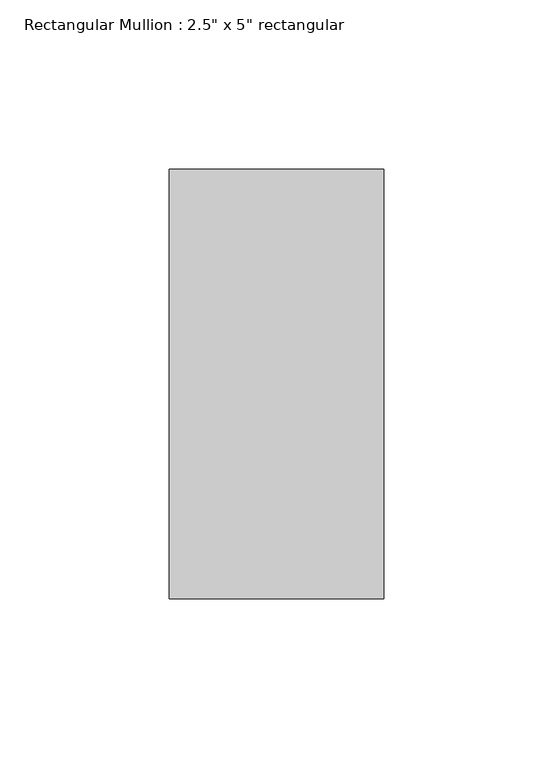
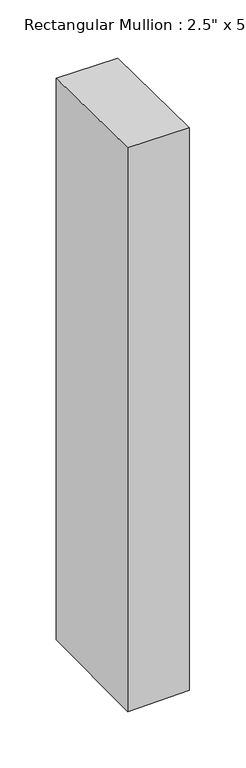
"""IFC4 building model written with IfcOpenShell, lengths in millimetres: member geometry."""

from ifc_helpers import new_model, si_unit, origin, place, context, project, spatial, faceted_brep, source, transform, mapped, element, save


def member_333ff9f2(model_context):
    return source(origin(), model_context, "Body", "Brep", [
        faceted_brep([(-63.5, 63.5, 0.110323), (0.0, 63.5, -0.7561356), (0.0, 63.5, -608.8988867), (-63.5, 63.5, -609.8436922), (-63.5, -63.5, 1.6225942), (-63.5, -63.5, -611.3547577), (0.0, -63.5, 0.7561356), (0.0, -63.5, -610.4099522)], [[[0, 1, 2, 3]], [[4, 0, 3, 5]], [[6, 4, 5, 7]], [[1, 6, 7, 2]], [[1, 0, 4, 6]], [[2, 7, 5, 3]]]),
    ])


if __name__ == "__main__":
    model = new_model("IFC4")
    model_context = context("Model", 3, world=origin())
    ifc_project = project(units=[si_unit("LENGTHUNIT", "METRE", prefix="MILLI")], contexts=[model_context])
    site = spatial("IfcSite", under=ifc_project)
    building = spatial("IfcBuilding", under=site)
    placement = place(None, origin())
    member_shape = member_333ff9f2(model_context)
    element("IfcMember", 1, ObjectType="Rectangular Mullion : 2.5\" x 5\" rectangular", at=placement, inside=building, context=model_context, shape_type="MappedRepresentation", body=[
        mapped(member_shape, transform((0.0, 0.0, 0.0), x_axis=(1.0, 0.0, 0.0), y_axis=(0.0, 1.0, 0.0), z_axis=(0.0, 0.0, 1.0))),
    ])
    save(model, "model.ifc")
